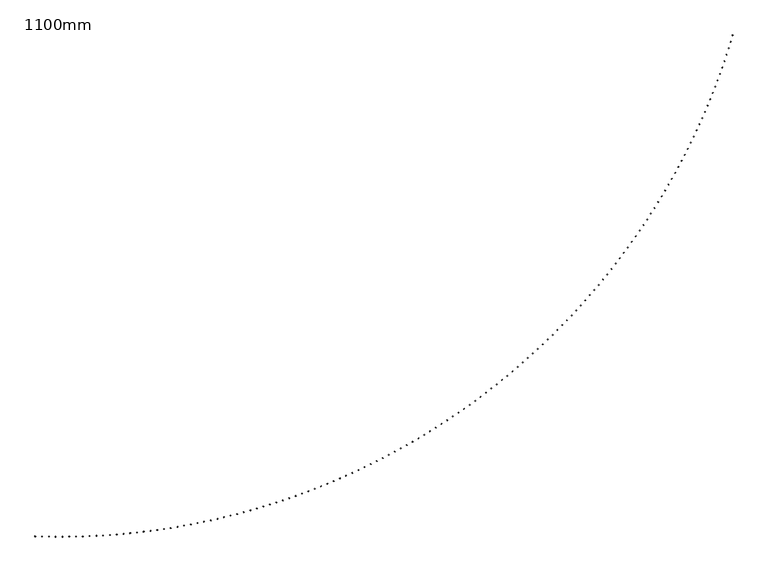
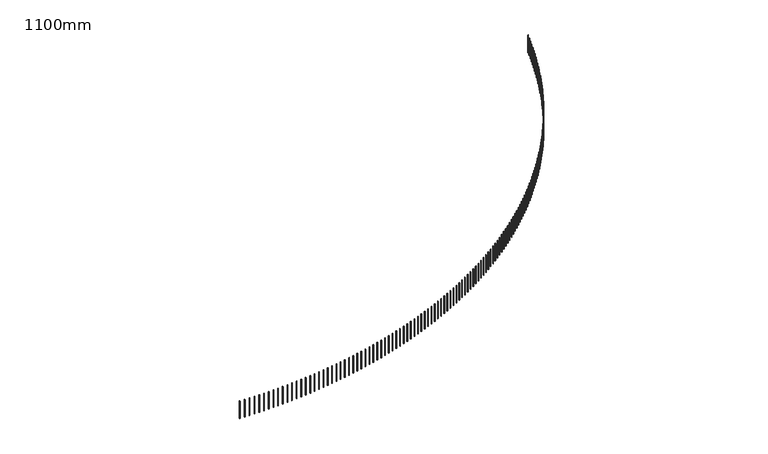
"""IFC4 building model written with IfcOpenShell, lengths in millimetres: railing geometry, 1100mm."""

from ifc_helpers import new_model, si_unit, frame, origin, place, context, project, spatial, polyline, outline, extrude, source, transform, mapped, element, save


def railing_1100mm_c866fdd7(model_context):
    return source(origin(), model_context, "Body", "SweptSolid", [
        extrude(outline(polyline([(-10110.9562878, -82539.3710236), (-10111.8247156, -82564.3559358), (-10136.8096277, -82563.487508), (-10135.9411999, -82538.5025959), (-10110.9562878, -82539.3710236)])), frame((0.0, 0.0, 26600.0), z_axis=(0.0, 0.0, 1.0), x_axis=(1.0, 0.0, 0.0)), (0.0, 0.0, 1.0), 1050.0),
        extrude(outline(polyline([(-9836.1976261, -82547.4690723), (-9836.8242033, -82572.4612191), (-9861.8163501, -82571.8346419), (-9861.1897729, -82546.8424951), (-9836.1976261, -82547.4690723)])), frame((0.0, 0.0, 26600.0), z_axis=(0.0, 0.0, 1.0), x_axis=(1.0, 0.0, 0.0)), (0.0, 0.0, 1.0), 1050.0),
        extrude(outline(polyline([(-9561.373458, -82552.9075616), (-9561.7581259, -82577.9046021), (-9586.7551663, -82577.5199342), (-9586.3704985, -82552.5228938), (-9561.373458, -82552.9075616)])), frame((0.0, 0.0, 26600.0), z_axis=(0.0, 0.0, 1.0), x_axis=(1.0, 0.0, 0.0)), (0.0, 0.0, 1.0), 1050.0),
        extrude(outline(polyline([(-9286.5095264, -82555.6859823), (-9286.6522489, -82580.6855749), (-9311.6518415, -82580.5428524), (-9311.509119, -82555.5432598), (-9286.5095264, -82555.6859823)])), frame((0.0, 0.0, 26600.0), z_axis=(0.0, 0.0, 1.0), x_axis=(1.0, 0.0, 0.0)), (0.0, 0.0, 1.0), 1050.0),
        extrude(outline(polyline([(-9011.6315779, -82555.8040741), (-9011.5323416, -82580.8038771), (-9036.5321447, -82580.9031133), (-9036.6313809, -82555.9033103), (-9011.6315779, -82555.8040741)])), frame((0.0, 0.0, 26600.0), z_axis=(0.0, 0.0, 1.0), x_axis=(1.0, 0.0, 0.0)), (0.0, 0.0, 1.0), 1050.0),
        extrude(outline(polyline([(-8736.7653604, -82553.2618258), (-8736.4241747, -82578.2594975), (-8761.4218465, -82578.6006832), (-8761.7630321, -82553.6030114), (-8736.7653604, -82553.2618258)])), frame((0.0, 0.0, 26600.0), z_axis=(0.0, 0.0, 1.0), x_axis=(1.0, 0.0, 0.0)), (0.0, 0.0, 1.0), 1050.0),
        extrude(outline(polyline([(-8461.9366208, -82548.0594757), (-8461.3535177, -82573.0526745), (-8486.3467166, -82573.6357777), (-8486.9298197, -82548.6425788), (-8461.9366208, -82548.0594757)])), frame((0.0, 0.0, 26600.0), z_axis=(0.0, 0.0, 1.0), x_axis=(1.0, 0.0, 0.0)), (0.0, 0.0, 1.0), 1050.0),
        extrude(outline(polyline([(-8187.1711025, -82540.197511), (-8186.3461366, -82565.1838959), (-8211.3325215, -82566.0088618), (-8212.1574874, -82541.0224769), (-8187.1711025, -82540.197511)])), frame((0.0, 0.0, 26600.0), z_axis=(0.0, 0.0, 1.0), x_axis=(1.0, 0.0, 0.0)), (0.0, 0.0, 1.0), 1050.0),
        extrude(outline(polyline([(-7912.4945429, -82529.6766681), (-7911.4277914, -82554.6538986), (-7936.4050218, -82555.7206501), (-7937.4717734, -82530.7434196), (-7912.4945429, -82529.6766681)])), frame((0.0, 0.0, 26600.0), z_axis=(0.0, 0.0, 1.0), x_axis=(1.0, 0.0, 0.0)), (0.0, 0.0, 1.0), 1050.0),
        extrude(outline(polyline([(-7637.9326711, -82516.4979327), (-7636.6242339, -82541.463669), (-7661.5899703, -82542.7721062), (-7662.8984074, -82517.8063698), (-7637.9326711, -82516.4979327)])), frame((0.0, 0.0, 26600.0), z_axis=(0.0, 0.0, 1.0), x_axis=(1.0, 0.0, 0.0)), (0.0, 0.0, 1.0), 1050.0),
        extrude(outline(polyline([(-7363.5112053, -82500.662539), (-7361.9612051, -82525.6144427), (-7386.9131088, -82527.164443), (-7388.4631091, -82502.2125392), (-7363.5112053, -82500.662539)])), frame((0.0, 0.0, 26600.0), z_axis=(0.0, 0.0, 1.0), x_axis=(1.0, 0.0, 0.0)), (0.0, 0.0, 1.0), 1050.0),
        extrude(outline(polyline([(-7089.255851, -82482.1719705), (-7087.4644328, -82507.1077043), (-7112.4001666, -82508.8991224), (-7114.1915848, -82483.9633886), (-7089.255851, -82482.1719705)])), frame((0.0, 0.0, 26600.0), z_axis=(0.0, 0.0, 1.0), x_axis=(1.0, 0.0, 0.0)), (0.0, 0.0, 1.0), 1050.0),
        extrude(outline(polyline([(-6815.1922975, -82461.0279591), (-6813.1596293, -82485.9451873), (-6838.0768575, -82487.9778555), (-6840.1095257, -82463.0606273), (-6815.1922975, -82461.0279591)])), frame((0.0, 0.0, 26600.0), z_axis=(0.0, 0.0, 1.0), x_axis=(1.0, 0.0, 0.0)), (0.0, 0.0, 1.0), 1050.0),
        extrude(outline(polyline([(-6541.3462167, -82437.2324855), (-6539.0724888, -82462.128874), (-6563.9688773, -82464.4026019), (-6566.2426052, -82439.5062134), (-6541.3462167, -82437.2324855)])), frame((0.0, 0.0, 26600.0), z_axis=(0.0, 0.0, 1.0), x_axis=(1.0, 0.0, 0.0)), (0.0, 0.0, 1.0), 1050.0),
        extrude(outline(polyline([(-6267.7432598, -82410.7877785), (-6265.2286852, -82435.6609953), (-6290.101902, -82438.1755699), (-6292.6164767, -82413.3023531), (-6267.7432598, -82410.7877785)])), frame((0.0, 0.0, 26600.0), z_axis=(0.0, 0.0, 1.0), x_axis=(1.0, 0.0, 0.0)), (0.0, 0.0, 1.0), 1050.0),
        extrude(outline(polyline([(-5994.4090554, -82381.6963152), (-5991.6538696, -82406.5440305), (-6016.5015849, -82409.2992162), (-6019.2567706, -82384.451501), (-5994.4090554, -82381.6963152)])), frame((0.0, 0.0, 26600.0), z_axis=(0.0, 0.0, 1.0), x_axis=(1.0, 0.0, 0.0)), (0.0, 0.0, 1.0), 1050.0),
        extrude(outline(polyline([(-5721.3692068, -82349.9608208), (-5718.3736679, -82374.7807069), (-5743.1935541, -82377.7762457), (-5746.1890929, -82352.9563596), (-5721.3692068, -82349.9608208)])), frame((0.0, 0.0, 26600.0), z_axis=(0.0, 0.0, 1.0), x_axis=(1.0, 0.0, 0.0)), (0.0, 0.0, 1.0), 1050.0),
        extrude(outline(polyline([(-5448.6492898, -82315.5842677), (-5445.4136784, -82340.3739998), (-5470.2034106, -82343.6096112), (-5473.4390219, -82318.8198791), (-5448.6492898, -82315.5842677)])), frame((0.0, 0.0, 26600.0), z_axis=(0.0, 0.0, 1.0), x_axis=(1.0, 0.0, 0.0)), (0.0, 0.0, 1.0), 1050.0),
        extrude(outline(polyline([(-5176.2748502, -82278.5698762), (-5172.7994694, -82303.3271322), (-5197.5567255, -82306.802513), (-5201.0321063, -82282.0452569), (-5176.2748502, -82278.5698762)])), frame((0.0, 0.0, 26600.0), z_axis=(0.0, 0.0, 1.0), x_axis=(1.0, 0.0, 0.0)), (0.0, 0.0, 1.0), 1050.0),
        extrude(outline(polyline([(-4904.2714014, -82238.9211133), (-4900.5565768, -82263.6435743), (-4925.2790378, -82267.3583989), (-4928.9938624, -82242.6359379), (-4904.2714014, -82238.9211133)])), frame((0.0, 0.0, 26600.0), z_axis=(0.0, 0.0, 1.0), x_axis=(1.0, 0.0, 0.0)), (0.0, 0.0, 1.0), 1050.0),
        extrude(outline(polyline([(-4632.6644222, -82196.641693), (-4628.7105017, -82221.3270431), (-4653.3958518, -82225.2809637), (-4657.3497724, -82200.5956135), (-4632.6644222, -82196.641693)])), frame((0.0, 0.0, 26600.0), z_axis=(0.0, 0.0, 1.0), x_axis=(1.0, 0.0, 0.0)), (0.0, 0.0, 1.0), 1050.0),
        extrude(outline(polyline([(-4361.4793541, -82151.7355756), (-4357.286708, -82176.3815026), (-4381.9326351, -82180.5741487), (-4386.1252811, -82155.9282217), (-4361.4793541, -82151.7355756)])), frame((0.0, 0.0, 26600.0), z_axis=(0.0, 0.0, 1.0), x_axis=(1.0, 0.0, 0.0)), (0.0, 0.0, 1.0), 1050.0),
        extrude(outline(polyline([(-4090.7415992, -82104.2069675), (-4086.3106203, -82128.8111628), (-4110.9148156, -82133.2421417), (-4115.3457945, -82108.6379464), (-4090.7415992, -82104.2069675)])), frame((0.0, 0.0, 26600.0), z_axis=(0.0, 0.0, 1.0), x_axis=(1.0, 0.0, 0.0)), (0.0, 0.0, 1.0), 1050.0),
        extrude(outline(polyline([(-3820.4765175, -82054.0603207), (-3815.8076209, -82078.6204796), (-3840.3677798, -82083.2893763), (-3845.0366764, -82058.7292174), (-3820.4765175, -82054.0603207)])), frame((0.0, 0.0, 26600.0), z_axis=(0.0, 0.0, 1.0), x_axis=(1.0, 0.0, 0.0)), (0.0, 0.0, 1.0), 1050.0),
        extrude(outline(polyline([(-3550.709425, -82001.3003326), (-3545.803048, -82025.8141545), (-3570.3168699, -82030.7205315), (-3575.2232469, -82006.2067096), (-3550.709425, -82001.3003326)])), frame((0.0, 0.0, 26600.0), z_axis=(0.0, 0.0, 1.0), x_axis=(1.0, 0.0, 0.0)), (0.0, 0.0, 1.0), 1050.0),
        extrude(outline(polyline([(-3281.465591, -81945.931945), (-3276.3221931, -81970.3971337), (-3300.7873818, -81975.5405316), (-3305.9307796, -81951.0753429), (-3281.465591, -81945.931945)])), frame((0.0, 0.0, 26600.0), z_axis=(0.0, 0.0, 1.0), x_axis=(1.0, 0.0, 0.0)), (0.0, 0.0, 1.0), 1050.0),
        extrude(outline(polyline([(-3012.7702354, -81887.9603445), (-3007.3902985, -81912.3746083), (-3031.8045623, -81917.7545453), (-3037.1844993, -81893.3402814), (-3012.7702354, -81887.9603445)])), frame((0.0, 0.0, 26600.0), z_axis=(0.0, 0.0, 1.0), x_axis=(1.0, 0.0, 0.0)), (0.0, 0.0, 1.0), 1050.0),
        extrude(outline(polyline([(-2744.6485274, -81827.3909612), (-2739.0325553, -81851.7520133), (-2763.3936074, -81857.3679854), (-2769.0095794, -81833.0069333), (-2744.6485274, -81827.3909612)])), frame((0.0, 0.0, 26600.0), z_axis=(0.0, 0.0, 1.0), x_axis=(1.0, 0.0, 0.0)), (0.0, 0.0, 1.0), 1050.0),
        extrude(outline(polyline([(-2477.1255818, -81764.2294688), (-2471.2741007, -81788.5350272), (-2495.5796591, -81794.3865083), (-2501.4311402, -81770.0809499), (-2477.1255818, -81764.2294688)])), frame((0.0, 0.0, 26600.0), z_axis=(0.0, 0.0, 1.0), x_axis=(1.0, 0.0, 0.0)), (0.0, 0.0, 1.0), 1050.0),
        extrude(outline(polyline([(-2210.2264577, -81698.4817835), (-2204.1400157, -81722.7295715), (-2228.3878037, -81728.8160136), (-2234.4742457, -81704.5682256), (-2210.2264577, -81698.4817835)])), frame((0.0, 0.0, 26600.0), z_axis=(0.0, 0.0, 1.0), x_axis=(1.0, 0.0, 0.0)), (0.0, 0.0, 1.0), 1050.0),
        extrude(outline(polyline([(-1943.9761558, -81630.1540641), (-1937.6553229, -81654.3418104), (-1961.8430692, -81660.6626433), (-1968.1639021, -81636.474897), (-1943.9761558, -81630.1540641)])), frame((0.0, 0.0, 26600.0), z_axis=(0.0, 0.0, 1.0), x_axis=(1.0, 0.0, 0.0)), (0.0, 0.0, 1.0), 1050.0),
        extrude(outline(polyline([(-1678.3996157, -81559.2527107), (-1671.8449841, -81583.3781497), (-1695.970423, -81589.9327813), (-1702.5250546, -81565.8073424), (-1678.3996157, -81559.2527107)])), frame((0.0, 0.0, 26600.0), z_axis=(0.0, 0.0, 1.0), x_axis=(1.0, 0.0, 0.0)), (0.0, 0.0, 1.0), 1050.0),
        extrude(outline(polyline([(-1413.5217142, -81485.7843648), (-1406.7338978, -81509.8452366), (-1430.7947695, -81516.633053), (-1437.582586, -81492.5721812), (-1413.5217142, -81485.7843648)])), frame((0.0, 0.0, 26600.0), z_axis=(0.0, 0.0, 1.0), x_axis=(1.0, 0.0, 0.0)), (0.0, 0.0, 1.0), 1050.0),
        extrude(outline(polyline([(-1149.3672626, -81409.7559082), (-1142.3468972, -81433.7499589), (-1166.3409479, -81440.7703243), (-1173.3613133, -81416.7762736), (-1149.3672626, -81409.7559082)])), frame((0.0, 0.0, 26600.0), z_axis=(0.0, 0.0, 1.0), x_axis=(1.0, 0.0, 0.0)), (0.0, 0.0, 1.0), 1050.0),
        extrude(outline(polyline([(-885.9610043, -81331.1744625), (-878.7087475, -81355.0994447), (-902.6337297, -81362.3517014), (-909.8859864, -81338.4267192), (-885.9610043, -81331.1744625)])), frame((0.0, 0.0, 26600.0), z_axis=(0.0, 0.0, 1.0), x_axis=(1.0, 0.0, 0.0)), (0.0, 0.0, 1.0), 1050.0),
        extrude(outline(polyline([(-623.3276126, -81250.0473885), (-615.8441439, -81273.901061), (-639.6978165, -81281.3845298), (-647.1812852, -81257.5308572), (-623.3276126, -81250.0473885)])), frame((0.0, 0.0, 26600.0), z_axis=(0.0, 0.0, 1.0), x_axis=(1.0, 0.0, 0.0)), (0.0, 0.0, 1.0), 1050.0),
        extrude(outline(polyline([(-361.4916887, -81166.3822853), (-353.7777089, -81190.1624139), (-377.5578375, -81197.8763937), (-385.2718173, -81174.0962651), (-361.4916887, -81166.3822853)])), frame((0.0, 0.0, 26600.0), z_axis=(0.0, 0.0, 1.0), x_axis=(1.0, 0.0, 0.0)), (0.0, 0.0, 1.0), 1050.0),
        extrude(outline(polyline([(-100.4777588, -81080.18699), (-92.5339905, -81103.8913471), (-116.2383476, -81111.8351154), (-124.1821159, -81088.1307583), (-100.4777588, -81080.18699)])), frame((0.0, 0.0, 26600.0), z_axis=(0.0, 0.0, 1.0), x_axis=(1.0, 0.0, 0.0)), (0.0, 0.0, 1.0), 1050.0),
        extrude(outline(polyline([(159.6897277, -80991.4695764), (167.8625404, -81015.0959416), (144.2361752, -81023.2687543), (136.0633625, -80999.6423891), (159.6897277, -80991.4695764)])), frame((0.0, 0.0, 26600.0), z_axis=(0.0, 0.0, 1.0), x_axis=(1.0, 0.0, 0.0)), (0.0, 0.0, 1.0), 1050.0),
        extrude(outline(polyline([(418.986401, -80900.2383549), (427.3874925, -80923.7845151), (403.8413323, -80932.1856066), (395.4402408, -80908.6394464), (418.986401, -80900.2383549)])), frame((0.0, 0.0, 26600.0), z_axis=(0.0, 0.0, 1.0), x_axis=(1.0, 0.0, 0.0)), (0.0, 0.0, 1.0), 1050.0),
        extrude(outline(polyline([(677.3879724, -80806.501871), (686.0165559, -80829.9656207), (662.5528062, -80838.5942041), (653.9242228, -80815.1304544), (677.3879724, -80806.501871)])), frame((0.0, 0.0, 26600.0), z_axis=(0.0, 0.0, 1.0), x_axis=(1.0, 0.0, 0.0)), (0.0, 0.0, 1.0), 1050.0),
        extrude(outline(polyline([(934.8702375, -80710.2689051), (943.7255046, -80733.6480464), (920.3463633, -80742.5033135), (911.4910963, -80719.1241722), (934.8702375, -80710.2689051)])), frame((0.0, 0.0, 26600.0), z_axis=(0.0, 0.0, 1.0), x_axis=(1.0, 0.0, 0.0)), (0.0, 0.0, 1.0), 1050.0),
        extrude(outline(polyline([(1191.4090777, -80611.5484715), (1200.4901989, -80634.8408144), (1177.197856, -80643.9219356), (1168.1167348, -80620.6295927), (1191.4090777, -80611.5484715)])), frame((0.0, 0.0, 26600.0), z_axis=(0.0, 0.0, 1.0), x_axis=(1.0, 0.0, 0.0)), (0.0, 0.0, 1.0), 1050.0),
        extrude(outline(polyline([(1446.9804628, -80510.3498172), (1456.2865876, -80533.5531799), (1433.0832249, -80542.8593047), (1423.7771001, -80519.655942), (1446.9804628, -80510.3498172)])), frame((0.0, 0.0, 26600.0), z_axis=(0.0, 0.0, 1.0), x_axis=(1.0, 0.0, 0.0)), (0.0, 0.0, 1.0), 1050.0),
        extrude(outline(polyline([(1701.5604535, -80406.6824217), (1711.0907101, -80429.7946308), (1687.978501, -80439.3248874), (1678.4482444, -80416.2126783), (1701.5604535, -80406.6824217)])), frame((0.0, 0.0, 26600.0), z_axis=(0.0, 0.0, 1.0), x_axis=(1.0, 0.0, 0.0)), (0.0, 0.0, 1.0), 1050.0),
        extrude(outline(polyline([(1955.125203, -80300.5559955), (1964.8786987, -80323.574886), (1941.8598082, -80333.3283817), (1932.1063125, -80310.3094912), (1955.125203, -80300.5559955)])), frame((0.0, 0.0, 26600.0), z_axis=(0.0, 0.0, 1.0), x_axis=(1.0, 0.0, 0.0)), (0.0, 0.0, 1.0), 1050.0),
        extrude(outline(polyline([(2207.6509598, -80191.9804794), (2217.6267811, -80214.9038952), (2194.7033653, -80224.8797165), (2184.7275441, -80201.9563007), (2207.6509598, -80191.9804794)])), frame((0.0, 0.0, 26600.0), z_axis=(0.0, 0.0, 1.0), x_axis=(1.0, 0.0, 0.0)), (0.0, 0.0, 1.0), 1050.0),
        extrude(outline(polyline([(2459.1140697, -80080.966044), (2469.3112821, -80103.7918377), (2446.4854883, -80113.9890501), (2436.288276, -80091.1632563), (2459.1140697, -80080.966044)])), frame((0.0, 0.0, 26600.0), z_axis=(0.0, 0.0, 1.0), x_axis=(1.0, 0.0, 0.0)), (0.0, 0.0, 1.0), 1050.0),
        extrude(outline(polyline([(2709.4909781, -79967.5230878), (2719.9086263, -79990.2491214), (2697.1825927, -80000.6667697), (2686.7649444, -79977.940736), (2709.4909781, -79967.5230878)])), frame((0.0, 0.0, 26600.0), z_axis=(0.0, 0.0, 1.0), x_axis=(1.0, 0.0, 0.0)), (0.0, 0.0, 1.0), 1050.0),
        extrude(outline(polyline([(2958.7582319, -79851.6622372), (2969.3953402, -79874.286382), (2946.7711955, -79884.9234903), (2936.1340872, -79862.2993455), (2958.7582319, -79851.6622372)])), frame((0.0, 0.0, 26600.0), z_axis=(0.0, 0.0, 1.0), x_axis=(1.0, 0.0, 0.0)), (0.0, 0.0, 1.0), 1050.0),
        extrude(outline(polyline([(3206.8924823, -79733.394345), (3217.7480543, -79755.9144816), (3195.2279176, -79766.7700536), (3184.3723456, -79744.249917), (3206.8924823, -79733.394345)])), frame((0.0, 0.0, 26600.0), z_axis=(0.0, 0.0, 1.0), x_axis=(1.0, 0.0, 0.0)), (0.0, 0.0, 1.0), 1050.0),
        extrude(outline(polyline([(3453.8704863, -79612.7304892), (3464.9435051, -79635.1445084), (3442.529486, -79646.2175272), (3431.4564671, -79623.8035081), (3453.8704863, -79612.7304892)])), frame((0.0, 0.0, 26600.0), z_axis=(0.0, 0.0, 1.0), x_axis=(1.0, 0.0, 0.0)), (0.0, 0.0, 1.0), 1050.0),
        extrude(outline(polyline([(3699.6691094, -79489.6819727), (3710.9585378, -79511.9877747), (3688.6527358, -79523.2772032), (3677.3633073, -79500.9714011), (3699.6691094, -79489.6819727)])), frame((0.0, 0.0, 26600.0), z_axis=(0.0, 0.0, 1.0), x_axis=(1.0, 0.0, 0.0)), (0.0, 0.0, 1.0), 1050.0),
        extrude(outline(polyline([(3944.2653275, -79364.2603213), (3955.7701081, -79386.4558169), (3933.5746125, -79397.9605975), (3922.0698319, -79375.7651019), (3944.2653275, -79364.2603213)])), frame((0.0, 0.0, 26600.0), z_axis=(0.0, 0.0, 1.0), x_axis=(1.0, 0.0, 0.0)), (0.0, 0.0, 1.0), 1050.0),
        extrude(outline(polyline([(4187.6362291, -79236.4772835), (4199.3552842, -79258.5603935), (4177.2721742, -79270.2794486), (4165.5531191, -79248.1963386), (4187.6362291, -79236.4772835)])), frame((0.0, 0.0, 26600.0), z_axis=(0.0, 0.0, 1.0), x_axis=(1.0, 0.0, 0.0)), (0.0, 0.0, 1.0), 1050.0),
        extrude(outline(polyline([(4429.7590177, -79106.3448286), (4441.6912495, -79128.3134846), (4419.7225936, -79140.2457164), (4407.7903618, -79118.2770605), (4429.7590177, -79106.3448286)])), frame((0.0, 0.0, 26600.0), z_axis=(0.0, 0.0, 1.0), x_axis=(1.0, 0.0, 0.0)), (0.0, 0.0, 1.0), 1050.0),
        extrude(outline(polyline([(4670.6110134, -78973.8751464), (4682.7553042, -78995.7272904), (4660.9031602, -79007.8715813), (4648.7588693, -78986.0194373), (4670.6110134, -78973.8751464)])), frame((0.0, 0.0, 26600.0), z_axis=(0.0, 0.0, 1.0), x_axis=(1.0, 0.0, 0.0)), (0.0, 0.0, 1.0), 1050.0),
        extrude(outline(polyline([(4910.1696554, -78839.0806452), (4922.5248678, -78860.8142304), (4900.7912826, -78873.1694428), (4888.4360702, -78851.4358576), (4910.1696554, -78839.0806452)])), frame((0.0, 0.0, 26600.0), z_axis=(0.0, 0.0, 1.0), x_axis=(1.0, 0.0, 0.0)), (0.0, 0.0, 1.0), 1050.0),
        extrude(outline(polyline([(5148.4125043, -78701.9739514), (5160.9774809, -78723.586942), (5139.3644902, -78736.1519186), (5126.7995137, -78714.5389279), (5148.4125043, -78701.9739514)])), frame((0.0, 0.0, 26600.0), z_axis=(0.0, 0.0, 1.0), x_axis=(1.0, 0.0, 0.0)), (0.0, 0.0, 1.0), 1050.0),
        extrude(outline(polyline([(5385.3172437, -78562.5679077), (5398.0908074, -78584.0582793), (5376.6004359, -78596.831843), (5363.8268721, -78575.3414715), (5385.3172437, -78562.5679077)])), frame((0.0, 0.0, 26600.0), z_axis=(0.0, 0.0, 1.0), x_axis=(1.0, 0.0, 0.0)), (0.0, 0.0, 1.0), 1050.0),
        extrude(outline(polyline([(5620.8616826, -78420.8755725), (5633.842637, -78442.241312), (5612.4768976, -78455.2222664), (5599.4959431, -78433.856527), (5620.8616826, -78420.8755725)])), frame((0.0, 0.0, 26600.0), z_axis=(0.0, 0.0, 1.0), x_axis=(1.0, 0.0, 0.0)), (0.0, 0.0, 1.0), 1050.0),
        extrude(outline(polyline([(5855.0237574, -78276.9102182), (5868.2108866, -78298.1493241), (5846.9717806, -78311.3364534), (5833.7846514, -78290.0973474), (5855.0237574, -78276.9102182)])), frame((0.0, 0.0, 26600.0), z_axis=(0.0, 0.0, 1.0), x_axis=(1.0, 0.0, 0.0)), (0.0, 0.0, 1.0), 1050.0),
        extrude(outline(polyline([(6087.781534, -78130.6853299), (6101.1736028, -78151.795813), (6080.0631197, -78165.1878817), (6066.671051, -78144.0773987), (6087.781534, -78130.6853299)])), frame((0.0, 0.0, 26600.0), z_axis=(0.0, 0.0, 1.0), x_axis=(1.0, 0.0, 0.0)), (0.0, 0.0, 1.0), 1050.0),
        extrude(outline(polyline([(6319.11321, -77982.2146048), (6332.7089638, -78003.1944875), (6311.7290811, -78016.7902413), (6298.1333273, -77995.8103586), (6319.11321, -77982.2146048)])), frame((0.0, 0.0, 26600.0), z_axis=(0.0, 0.0, 1.0), x_axis=(1.0, 0.0, 0.0)), (0.0, 0.0, 1.0), 1050.0),
        extrude(outline(polyline([(6548.9971164, -77831.5119501), (6562.7952817, -77852.3592672), (6541.9479646, -77866.1574326), (6528.1497992, -77845.3101155), (6548.9971164, -77831.5119501)])), frame((0.0, 0.0, 26600.0), z_axis=(0.0, 0.0, 1.0), x_axis=(1.0, 0.0, 0.0)), (0.0, 0.0, 1.0), 1050.0),
        extrude(outline(polyline([(6777.4117197, -77678.5914822), (6791.4110042, -77699.304281), (6770.6982054, -77713.3035655), (6756.6989209, -77692.5907666), (6777.4117197, -77678.5914822)])), frame((0.0, 0.0, 26600.0), z_axis=(0.0, 0.0, 1.0), x_axis=(1.0, 0.0, 0.0)), (0.0, 0.0, 1.0), 1050.0),
        extrude(outline(polyline([(7004.3356244, -77523.4675252), (7018.5347166, -77544.0438655), (6997.9583763, -77558.2429578), (6983.7592841, -77537.6666174), (7004.3356244, -77523.4675252)])), frame((0.0, 0.0, 26600.0), z_axis=(0.0, 0.0, 1.0), x_axis=(1.0, 0.0, 0.0)), (0.0, 0.0, 1.0), 1050.0),
        extrude(outline(polyline([(7229.7475744, -77366.1546098), (7244.1451443, -77386.5925642), (7223.7071899, -77400.9901341), (7209.30962, -77380.5521797), (7229.7475744, -77366.1546098)])), frame((0.0, 0.0, 26600.0), z_axis=(0.0, 0.0, 1.0), x_axis=(1.0, 0.0, 0.0)), (0.0, 0.0, 1.0), 1050.0),
        extrude(outline(polyline([(7453.6264551, -77206.6674714), (7468.2211541, -77226.9651255), (7447.9235, -77241.5598245), (7433.328801, -77221.2621704), (7453.6264551, -77206.6674714)])), frame((0.0, 0.0, 26600.0), z_axis=(0.0, 0.0, 1.0), x_axis=(1.0, 0.0, 0.0)), (0.0, 0.0, 1.0), 1050.0),
        extrude(outline(polyline([(7675.9512957, -77045.0210493), (7690.7417567, -77065.1765018), (7670.5863043, -77079.9669628), (7655.7958433, -77059.8115103), (7675.9512957, -77045.0210493)])), frame((0.0, 0.0, 26600.0), z_axis=(0.0, 0.0, 1.0), x_axis=(1.0, 0.0, 0.0)), (0.0, 0.0, 1.0), 1050.0),
        extrude(outline(polyline([(7896.701271, -76881.2304851), (7911.6861086, -76901.2418479), (7891.6747458, -76916.2266855), (7876.6899082, -76896.2153227), (7896.701271, -76881.2304851)])), frame((0.0, 0.0, 26600.0), z_axis=(0.0, 0.0, 1.0), x_axis=(1.0, 0.0, 0.0)), (0.0, 0.0, 1.0), 1050.0),
        extrude(outline(polyline([(8115.8557032, -76715.311121), (8131.0335137, -76735.1765197), (8111.168115, -76750.3543302), (8095.9903045, -76730.4889315), (8115.8557032, -76715.311121)])), frame((0.0, 0.0, 26600.0), z_axis=(0.0, 0.0, 1.0), x_axis=(1.0, 0.0, 0.0)), (0.0, 0.0, 1.0), 1050.0),
        extrude(outline(polyline([(8333.394064, -76547.2784988), (8348.7634258, -76566.9960726), (8329.0458519, -76582.3654344), (8313.6764901, -76562.6478605), (8333.394064, -76547.2784988)])), frame((0.0, 0.0, 26600.0), z_axis=(0.0, 0.0, 1.0), x_axis=(1.0, 0.0, 0.0)), (0.0, 0.0, 1.0), 1050.0),
        extrude(outline(polyline([(8549.2959765, -76377.1483582), (8564.8554498, -76396.7162602), (8545.2875477, -76412.2757335), (8529.7280744, -76392.7078315), (8549.2959765, -76377.1483582)])), frame((0.0, 0.0, 26600.0), z_axis=(0.0, 0.0, 1.0), x_axis=(1.0, 0.0, 0.0)), (0.0, 0.0, 1.0), 1050.0),
        extrude(outline(polyline([(8763.541217, -76204.9366354), (8779.2893444, -76224.3530327), (8759.8729471, -76240.1011601), (8744.1248197, -76220.6847628), (8763.541217, -76204.9366354)])), frame((0.0, 0.0, 26600.0), z_axis=(0.0, 0.0, 1.0), x_axis=(1.0, 0.0, 0.0)), (0.0, 0.0, 1.0), 1050.0),
        extrude(outline(polyline([(8976.109717, -76030.6594615), (8992.0450234, -76049.9225353), (8972.7819496, -76065.8578417), (8956.8466432, -76046.5947679), (8976.109717, -76030.6594615)])), frame((0.0, 0.0, 26600.0), z_axis=(0.0, 0.0, 1.0), x_axis=(1.0, 0.0, 0.0)), (0.0, 0.0, 1.0), 1050.0),
        extrude(outline(polyline([(9186.9815652, -75854.3331613), (9203.1025579, -75873.4411071), (9183.994612, -75889.5620998), (9167.8736193, -75870.4541539), (9186.9815652, -75854.3331613)])), frame((0.0, 0.0, 26600.0), z_axis=(0.0, 0.0, 1.0), x_axis=(1.0, 0.0, 0.0)), (0.0, 0.0, 1.0), 1050.0),
        extrude(outline(polyline([(9396.1370091, -75675.9742511), (9412.442178, -75694.9252792), (9393.4911499, -75711.2304482), (9377.185981, -75692.27942), (9396.1370091, -75675.9742511)])), frame((0.0, 0.0, 26600.0), z_axis=(0.0, 0.0, 1.0), x_axis=(1.0, 0.0, 0.0)), (0.0, 0.0, 1.0), 1050.0),
        extrude(outline(polyline([(9603.556457, -75495.5994381), (9620.0442748, -75514.3917733), (9601.2519396, -75530.8795912), (9584.7641218, -75512.0872559), (9603.556457, -75495.5994381)])), frame((0.0, 0.0, 26600.0), z_axis=(0.0, 0.0, 1.0), x_axis=(1.0, 0.0, 0.0)), (0.0, 0.0, 1.0), 1050.0),
        extrude(outline(polyline([(9809.2204798, -75313.225618), (9825.8894022, -75331.8575), (9807.2575201, -75348.5264224), (9790.5885978, -75329.8945403), (9809.2204798, -75313.225618)])), frame((0.0, 0.0, 26600.0), z_axis=(0.0, 0.0, 1.0), x_axis=(1.0, 0.0, 0.0)), (0.0, 0.0, 1.0), 1050.0),
        extrude(outline(polyline([(10013.1098129, -75128.8698739), (10029.9582783, -75147.3395575), (10011.4885947, -75164.1880229), (9994.6401293, -75145.7183393), (10013.1098129, -75128.8698739)])), frame((0.0, 0.0, 26600.0), z_axis=(0.0, 0.0, 1.0), x_axis=(1.0, 0.0, 0.0)), (0.0, 0.0, 1.0), 1050.0),
        extrude(outline(polyline([(10215.2053578, -74942.5494744), (10232.2317882, -74960.8552295), (10213.9260331, -74977.8816598), (10196.8996027, -74959.5759048), (10215.2053578, -74942.5494744)])), frame((0.0, 0.0, 26600.0), z_axis=(0.0, 0.0, 1.0), x_axis=(1.0, 0.0, 0.0)), (0.0, 0.0, 1.0), 1050.0),
        extrude(outline(polyline([(10415.4881842, -74754.2818723), (10432.6909846, -74772.4219842), (10414.5508727, -74789.6247846), (10397.3480723, -74771.4846727), (10415.4881842, -74754.2818723)])), frame((0.0, 0.0, 26600.0), z_axis=(0.0, 0.0, 1.0), x_axis=(1.0, 0.0, 0.0)), (0.0, 0.0, 1.0), 1050.0),
        extrude(outline(polyline([(10613.9395314, -74564.0847027), (10631.3170904, -74582.0574722), (10613.344321, -74599.4350312), (10595.966762, -74581.4622617), (10613.9395314, -74564.0847027)])), frame((0.0, 0.0, 26600.0), z_axis=(0.0, 0.0, 1.0), x_axis=(1.0, 0.0, 0.0)), (0.0, 0.0, 1.0), 1050.0),
        extrude(outline(polyline([(10810.5408105, -74371.9757815), (10828.0915004, -74389.779525), (10810.2877568, -74407.3302149), (10792.7370669, -74389.5264714), (10810.5408105, -74371.9757815)])), frame((0.0, 0.0, 26600.0), z_axis=(0.0, 0.0, 1.0), x_axis=(1.0, 0.0, 0.0)), (0.0, 0.0, 1.0), 1050.0),
        extrude(outline(polyline([(11005.2736056, -74177.9731036), (11022.9957824, -74195.6061535), (11005.3627325, -74213.3283303), (10987.6405557, -74195.6952804), (11005.2736056, -74177.9731036)])), frame((0.0, 0.0, 26600.0), z_axis=(0.0, 0.0, 1.0), x_axis=(1.0, 0.0, 0.0)), (0.0, 0.0, 1.0), 1050.0),
        extrude(outline(polyline([(11198.1196761, -73982.0948413), (11216.0116798, -73999.5555459), (11198.5509751, -74017.4475496), (11180.6589715, -73999.986845), (11198.1196761, -73982.0948413)])), frame((0.0, 0.0, 26600.0), z_axis=(0.0, 0.0, 1.0), x_axis=(1.0, 0.0, 0.0)), (0.0, 0.0, 1.0), 1050.0),
        extrude(outline(polyline([(11389.060958, -73784.3593427), (11407.1211125, -73801.6460664), (11389.8343888, -73819.706221), (11371.7742342, -73802.4194972), (11389.060958, -73784.3593427)])), frame((0.0, 0.0, 26600.0), z_axis=(0.0, 0.0, 1.0), x_axis=(1.0, 0.0, 0.0)), (0.0, 0.0, 1.0), 1050.0),
        extrude(outline(polyline([(11578.0795657, -73584.7851297), (11596.3061794, -73601.8962533), (11579.1950558, -73620.1228671), (11560.968442, -73603.0117434), (11578.0795657, -73584.7851297)])), frame((0.0, 0.0, 26600.0), z_axis=(0.0, 0.0, 1.0), x_axis=(1.0, 0.0, 0.0)), (0.0, 0.0, 1.0), 1050.0),
        extrude(outline(polyline([(11765.1577937, -73383.3908966), (11783.5491593, -73400.3248173), (11766.6152386, -73418.7161829), (11748.223873, -73401.7822622), (11765.1577937, -73383.3908966)])), frame((0.0, 0.0, 26600.0), z_axis=(0.0, 0.0, 1.0), x_axis=(1.0, 0.0, 0.0)), (0.0, 0.0, 1.0), 1050.0),
        extrude(outline(polyline([(11950.2781183, -73180.195508), (11968.8325131, -73196.9506396), (11952.0773816, -73215.5050344), (11933.5229868, -73198.7499028), (11950.2781183, -73180.195508)])), frame((0.0, 0.0, 26600.0), z_axis=(0.0, 0.0, 1.0), x_axis=(1.0, 0.0, 0.0)), (0.0, 0.0, 1.0), 1050.0),
        extrude(outline(polyline([(12133.4231993, -72975.2179974), (12152.1388853, -72991.7927703), (12135.5641123, -73010.5084563), (12116.8484263, -72993.9336833), (12133.4231993, -72975.2179974)])), frame((0.0, 0.0, 26600.0), z_axis=(0.0, 0.0, 1.0), x_axis=(1.0, 0.0, 0.0)), (0.0, 0.0, 1.0), 1050.0),
        extrude(outline(polyline([(12314.5758813, -72768.4775651), (12333.4511053, -72784.8704269), (12317.0582435, -72803.7456509), (12298.1830195, -72787.3527891), (12314.5758813, -72768.4775651)])), frame((0.0, 0.0, 26600.0), z_axis=(0.0, 0.0, 1.0), x_axis=(1.0, 0.0, 0.0)), (0.0, 0.0, 1.0), 1050.0),
        extrude(outline(polyline([(12493.7191956, -72559.9935766), (12512.7521897, -72576.2029917), (12496.5427745, -72595.2359857), (12477.5097805, -72579.0265706), (12493.7191956, -72559.9935766)])), frame((0.0, 0.0, 26600.0), z_axis=(0.0, 0.0, 1.0), x_axis=(1.0, 0.0, 0.0)), (0.0, 0.0, 1.0), 1050.0),
        extrude(outline(polyline([(12670.8363619, -72349.7855607), (12690.0253431, -72365.8100107), (12674.000893, -72384.9989919), (12654.8119118, -72368.9745419), (12670.8363619, -72349.7855607)])), frame((0.0, 0.0, 26600.0), z_axis=(0.0, 0.0, 1.0), x_axis=(1.0, 0.0, 0.0)), (0.0, 0.0, 1.0), 1050.0),
        extrude(outline(polyline([(12845.9107894, -72137.8732076), (12865.2539604, -72153.7111917), (12849.4159763, -72173.0543626), (12830.0728054, -72157.2163786), (12845.9107894, -72137.8732076)])), frame((0.0, 0.0, 26600.0), z_axis=(0.0, 0.0, 1.0), x_axis=(1.0, 0.0, 0.0)), (0.0, 0.0, 1.0), 1050.0),
        extrude(outline(polyline([(13018.9260789, -71924.2763674), (13038.4216277, -71939.9264018), (13022.7715933, -71959.4219506), (13003.2760445, -71943.7719162), (13018.9260789, -71924.2763674)])), frame((0.0, 0.0, 26600.0), z_axis=(0.0, 0.0, 1.0), x_axis=(1.0, 0.0, 0.0)), (0.0, 0.0, 1.0), 1050.0),
        extrude(outline(polyline([(13189.8660239, -71709.0150478), (13209.5121244, -71724.4756666), (13194.0515055, -71744.1217671), (13174.405405, -71728.6611483), (13189.8660239, -71709.0150478)])), frame((0.0, 0.0, 26600.0), z_axis=(0.0, 0.0, 1.0), x_axis=(1.0, 0.0, 0.0)), (0.0, 0.0, 1.0), 1050.0),
        extrude(outline(polyline([(13358.7146124, -71492.1094123), (13378.5094243, -71507.3791674), (13363.2396692, -71527.1739793), (13343.4448573, -71511.9042242), (13358.7146124, -71492.1094123)])), frame((0.0, 0.0, 26600.0), z_axis=(0.0, 0.0, 1.0), x_axis=(1.0, 0.0, 0.0)), (0.0, 0.0, 1.0), 1050.0),
        extrude(outline(polyline([(13525.4560282, -71273.5797787), (13545.3976974, -71288.6572397), (13530.3202364, -71308.5989088), (13510.3785672, -71293.5214478), (13525.4560282, -71273.5797787)])), frame((0.0, 0.0, 26600.0), z_axis=(0.0, 0.0, 1.0), x_axis=(1.0, 0.0, 0.0)), (0.0, 0.0, 1.0), 1050.0),
        extrude(outline(polyline([(13690.0746527, -71053.4466166), (13710.1613111, -71068.3303713), (13695.2775565, -71088.4170297), (13675.190898, -71073.5332751), (13690.0746527, -71053.4466166)])), frame((0.0, 0.0, 26600.0), z_axis=(0.0, 0.0, 1.0), x_axis=(1.0, 0.0, 0.0)), (0.0, 0.0, 1.0), 1050.0),
        extrude(outline(polyline([(13852.5550658, -70831.7305462), (13872.7848321, -70846.4192003), (13858.096178, -70866.6489665), (13837.8664118, -70851.9603125), (13852.5550658, -70831.7305462)])), frame((0.0, 0.0, 26600.0), z_axis=(0.0, 0.0, 1.0), x_axis=(1.0, 0.0, 0.0)), (0.0, 0.0, 1.0), 1050.0),
        extrude(outline(polyline([(14012.882048, -70608.4523357), (14033.2530271, -70622.9445133), (14018.7608495, -70643.3154923), (13998.3898705, -70628.8233148), (14012.882048, -70608.4523357)])), frame((0.0, 0.0, 26600.0), z_axis=(0.0, 0.0, 1.0), x_axis=(1.0, 0.0, 0.0)), (0.0, 0.0, 1.0), 1050.0),
        extrude(outline(polyline([(14171.0405814, -70383.6328996), (14191.5508652, -70397.9272432), (14177.2565216, -70418.437527), (14156.7462378, -70404.1431833), (14171.0405814, -70383.6328996)])), frame((0.0, 0.0, 26600.0), z_axis=(0.0, 0.0, 1.0), x_axis=(1.0, 0.0, 0.0)), (0.0, 0.0, 1.0), 1050.0),
        extrude(outline(polyline([(14327.0158512, -70157.2932968), (14347.6635184, -70171.3884676), (14333.5683477, -70192.0361348), (14312.9206805, -70177.9409641), (14327.0158512, -70157.2932968)])), frame((0.0, 0.0, 26600.0), z_axis=(0.0, 0.0, 1.0), x_axis=(1.0, 0.0, 0.0)), (0.0, 0.0, 1.0), 1050.0),
        extrude(outline(polyline([(14480.7932471, -69929.4547289), (14501.5763637, -69943.3494064), (14487.6816862, -69964.132523), (14466.8985696, -69950.2378455), (14480.7932471, -69929.4547289)])), frame((0.0, 0.0, 26600.0), z_axis=(0.0, 0.0, 1.0), x_axis=(1.0, 0.0, 0.0)), (0.0, 0.0, 1.0), 1050.0),
        extrude(outline(polyline([(14632.3583646, -69700.1385374), (14653.2749839, -69713.8314202), (14639.5821011, -69734.7480394), (14618.6654818, -69721.0551566), (14632.3583646, -69700.1385374)])), frame((0.0, 0.0, 26600.0), z_axis=(0.0, 0.0, 1.0), x_axis=(1.0, 0.0, 0.0)), (0.0, 0.0, 1.0), 1050.0),
        extrude(outline(polyline([(14781.6970067, -69469.3662026), (14802.7451693, -69482.856008), (14789.2553639, -69503.9041706), (14768.2072013, -69490.4143652), (14781.6970067, -69469.3662026)])), frame((0.0, 0.0, 26600.0), z_axis=(0.0, 0.0, 1.0), x_axis=(1.0, 0.0, 0.0)), (0.0, 0.0, 1.0), 1050.0),
        extrude(outline(polyline([(14928.7951847, -69237.1593409), (14949.972919, -69250.4448054), (14936.6874545, -69271.6225398), (14915.5097201, -69258.3370753), (14928.7951847, -69237.1593409)])), frame((0.0, 0.0, 26600.0), z_axis=(0.0, 0.0, 1.0), x_axis=(1.0, 0.0, 0.0)), (0.0, 0.0, 1.0), 1050.0),
        extrude(outline(polyline([(15073.6391197, -69003.5397035), (15094.9444421, -69016.6195826), (15081.864563, -69037.924905), (15060.5592406, -69024.8450259), (15073.6391197, -69003.5397035)])), frame((0.0, 0.0, 26600.0), z_axis=(0.0, 0.0, 1.0), x_axis=(1.0, 0.0, 0.0)), (0.0, 0.0, 1.0), 1050.0),
        extrude(outline(polyline([(15216.2152443, -68768.5291734), (15237.6461591, -68781.4022419), (15224.7730906, -68802.8331567), (15203.3421758, -68789.9600882), (15216.2152443, -68768.5291734)])), frame((0.0, 0.0, 26600.0), z_axis=(0.0, 0.0, 1.0), x_axis=(1.0, 0.0, 0.0)), (0.0, 0.0, 1.0), 1050.0),
        extrude(outline(polyline([(15356.5102032, -68532.1497643), (15378.0647029, -68544.8148164), (15365.3996508, -68566.3693161), (15343.8451512, -68553.704264), (15356.5102032, -68532.1497643)])), frame((0.0, 0.0, 26600.0), z_axis=(0.0, 0.0, 1.0), x_axis=(1.0, 0.0, 0.0)), (0.0, 0.0, 1.0), 1050.0),
        extrude(outline(polyline([(15494.510855, -68294.423618), (15516.1869206, -68306.8794673), (15503.7310713, -68328.5555329), (15482.0550057, -68316.0996836), (15494.510855, -68294.423618)])), frame((0.0, 0.0, 26600.0), z_axis=(0.0, 0.0, 1.0), x_axis=(1.0, 0.0, 0.0)), (0.0, 0.0, 1.0), 1050.0),
        extrude(outline(polyline([(15630.204273, -68055.3730024), (15651.9998741, -68067.6184821), (15639.7543943, -68089.4140832), (15617.9587932, -68077.1686034), (15630.204273, -68055.3730024)])), frame((0.0, 0.0, 26600.0), z_axis=(0.0, 0.0, 1.0), x_axis=(1.0, 0.0, 0.0)), (0.0, 0.0, 1.0), 1050.0),
        extrude(outline(polyline([(15763.5777468, -67815.0203094), (15785.4908418, -67827.0542726), (15773.4568785, -67848.9673675), (15751.5437836, -67836.9334043), (15763.5777468, -67815.0203094)])), frame((0.0, 0.0, 26600.0), z_axis=(0.0, 0.0, 1.0), x_axis=(1.0, 0.0, 0.0)), (0.0, 0.0, 1.0), 1050.0),
        extrude(outline(polyline([(15894.6187833, -67573.388053), (15916.6473194, -67585.2093725), (15904.826, -67607.2379087), (15882.7974638, -67595.4165892), (15894.6187833, -67573.388053)])), frame((0.0, 0.0, 26600.0), z_axis=(0.0, 0.0, 1.0), x_axis=(1.0, 0.0, 0.0)), (0.0, 0.0, 1.0), 1050.0),
        extrude(outline(polyline([(16023.3151076, -67330.4988671), (16045.4570216, -67342.1064355), (16033.8494533, -67364.2483495), (16011.7075393, -67352.6407811), (16023.3151076, -67330.4988671)])), frame((0.0, 0.0, 26600.0), z_axis=(0.0, 0.0, 1.0), x_axis=(1.0, 0.0, 0.0)), (0.0, 0.0, 1.0), 1050.0),
        extrude(outline(polyline([(16149.6546649, -67086.3755032), (16171.9078827, -67097.7682332), (16160.5151527, -67120.021451), (16138.2619349, -67108.628721), (16149.6546649, -67086.3755032)])), frame((0.0, 0.0, 26600.0), z_axis=(0.0, 0.0, 1.0), x_axis=(1.0, 0.0, 0.0)), (0.0, 0.0, 1.0), 1050.0),
        extrude(outline(polyline([(16273.6256207, -66841.0408284), (16295.9880579, -66852.2176529), (16284.8112334, -66874.58009), (16262.4487963, -66863.4032656), (16273.6256207, -66841.0408284)])), frame((0.0, 0.0, 26600.0), z_axis=(0.0, 0.0, 1.0), x_axis=(1.0, 0.0, 0.0)), (0.0, 0.0, 1.0), 1050.0),
        extrude(outline(polyline([(16395.2163628, -66594.5178234), (16417.6859245, -66605.4776954), (16406.7260526, -66627.9472572), (16384.2564908, -66616.9873852), (16395.2163628, -66594.5178234)])), frame((0.0, 0.0, 26600.0), z_axis=(0.0, 0.0, 1.0), x_axis=(1.0, 0.0, 0.0)), (0.0, 0.0, 1.0), 1050.0),
        extrude(outline(polyline([(16514.4155015, -66346.8295802), (16536.9900832, -66357.571473), (16526.2481903, -66380.1460547), (16503.6736086, -66369.4041618), (16514.4155015, -66346.8295802)])), frame((0.0, 0.0, 26600.0), z_axis=(0.0, 0.0, 1.0), x_axis=(1.0, 0.0, 0.0)), (0.0, 0.0, 1.0), 1050.0),
        extrude(outline(polyline([(16631.2118715, -66097.9992997), (16653.8893585, -66108.5222072), (16643.3664509, -66131.1996942), (16620.6889639, -66120.6767867), (16631.2118715, -66097.9992997)])), frame((0.0, 0.0, 26600.0), z_axis=(0.0, 0.0, 1.0), x_axis=(1.0, 0.0, 0.0)), (0.0, 0.0, 1.0), 1050.0),
        extrude(outline(polyline([(16745.5945324, -65848.05029), (16768.3728005, -65858.3532266), (16758.0698639, -65881.1314947), (16735.2915958, -65870.8285581), (16745.5945324, -65848.05029)])), frame((0.0, 0.0, 26600.0), z_axis=(0.0, 0.0, 1.0), x_axis=(1.0, 0.0, 0.0)), (0.0, 0.0, 1.0), 1050.0),
        extrude(outline(polyline([(16857.5527699, -65597.0059641), (16880.4296855, -65607.0879646), (16870.347685, -65629.9648802), (16847.4707694, -65619.8828796), (16857.5527699, -65597.0059641)])), frame((0.0, 0.0, 26600.0), z_axis=(0.0, 0.0, 1.0), x_axis=(1.0, 0.0, 0.0)), (0.0, 0.0, 1.0), 1050.0),
        extrude(outline(polyline([(16967.0760969, -65344.8898373), (16990.049517, -65354.7499574), (16980.1893969, -65377.7233775), (16957.2159768, -65367.8632574), (16967.0760969, -65344.8898373)])), frame((0.0, 0.0, 26600.0), z_axis=(0.0, 0.0, 1.0), x_axis=(1.0, 0.0, 0.0)), (0.0, 0.0, 1.0), 1050.0),
        extrude(outline(polyline([(17074.1542542, -65091.7255255), (17097.2220269, -65101.3628415), (17087.5847109, -65124.4306143), (17064.5169382, -65114.7932982), (17074.1542542, -65091.7255255)])), frame((0.0, 0.0, 26600.0), z_axis=(0.0, 0.0, 1.0), x_axis=(1.0, 0.0, 0.0)), (0.0, 0.0, 1.0), 1050.0),
        extrude(outline(polyline([(17178.7772117, -64837.5367427), (17201.9371763, -64846.9503519), (17192.5235671, -64870.1103165), (17169.3636025, -64860.6967073), (17178.7772117, -64837.5367427)])), frame((0.0, 0.0, 26600.0), z_axis=(0.0, 0.0, 1.0), x_axis=(1.0, 0.0, 0.0)), (0.0, 0.0, 1.0), 1050.0),
        extrude(outline(polyline([(17280.9351694, -64582.3472989), (17304.1851565, -64591.5363196), (17294.9961358, -64614.7863067), (17271.7461487, -64605.597286), (17280.9351694, -64582.3472989)])), frame((0.0, 0.0, 26600.0), z_axis=(0.0, 0.0, 1.0), x_axis=(1.0, 0.0, 0.0)), (0.0, 0.0, 1.0), 1050.0),
        extrude(outline(polyline([(17380.6185581, -64326.1810979), (17403.9563898, -64335.1446692), (17394.9928184, -64358.4825009), (17371.6549867, -64349.5189296), (17380.6185581, -64326.1810979)])), frame((0.0, 0.0, 26600.0), z_axis=(0.0, 0.0, 1.0), x_axis=(1.0, 0.0, 0.0)), (0.0, 0.0, 1.0), 1050.0),
        extrude(outline(polyline([(17477.8180404, -64069.0621348), (17501.2415306, -64077.7994172), (17492.5042482, -64101.2229075), (17469.0807579, -64092.485625), (17477.8180404, -64069.0621348)])), frame((0.0, 0.0, 26600.0), z_axis=(0.0, 0.0, 1.0), x_axis=(1.0, 0.0, 0.0)), (0.0, 0.0, 1.0), 1050.0),
        extrude(outline(polyline([(17572.5245116, -63811.0144941), (17596.0314663, -63819.5246692), (17587.5212912, -63843.0316239), (17564.0143364, -63834.5214488), (17572.5245116, -63811.0144941)])), frame((0.0, 0.0, 26600.0), z_axis=(0.0, 0.0, 1.0), x_axis=(1.0, 0.0, 0.0)), (0.0, 0.0, 1.0), 1050.0),
        extrude(outline(polyline([(17664.7291004, -63552.0623473), (17688.3173176, -63560.3446179), (17680.035047, -63583.9328352), (17656.4468298, -63575.6505646), (17664.7291004, -63552.0623473)])), frame((0.0, 0.0, 26600.0), z_axis=(0.0, 0.0, 1.0), x_axis=(1.0, 0.0, 0.0)), (0.0, 0.0, 1.0), 1050.0),
        extrude(outline(polyline([(17754.42317, -63292.2299505), (17778.0904403, -63300.2835408), (17770.03685, -63323.9508111), (17746.3695797, -63315.8972208), (17754.42317, -63292.2299505)])), frame((0.0, 0.0, 26600.0), z_axis=(0.0, 0.0, 1.0), x_axis=(1.0, 0.0, 0.0)), (0.0, 0.0, 1.0), 1050.0),
        extrude(outline(polyline([(17841.5983188, -63031.5416424), (17865.3424252, -63039.365798), (17857.5182696, -63063.1099045), (17833.7741632, -63055.2857488), (17841.5983188, -63031.5416424)])), frame((0.0, 0.0, 26600.0), z_axis=(0.0, 0.0, 1.0), x_axis=(1.0, 0.0, 0.0)), (0.0, 0.0, 1.0), 1050.0),
        extrude(outline(polyline([(17926.2463809, -62770.0218418), (17950.0650993, -62777.6158299), (17942.4711113, -62801.4345482), (17918.6523929, -62793.8405602), (17926.2463809, -62770.0218418)])), frame((0.0, 0.0, 26600.0), z_axis=(0.0, 0.0, 1.0), x_axis=(1.0, 0.0, 0.0)), (0.0, 0.0, 1.0), 1050.0),
        extrude(outline(polyline([(18008.3594275, -62507.6950454), (18032.2505267, -62515.0581545), (18024.8874176, -62538.9492538), (18000.9963183, -62531.5861447), (18008.3594275, -62507.6950454)])), frame((0.0, 0.0, 26600.0), z_axis=(0.0, 0.0, 1.0), x_axis=(1.0, 0.0, 0.0)), (0.0, 0.0, 1.0), 1050.0),
        extrude(outline(polyline([(18087.9297668, -62244.5858254), (18111.891009, -62251.7173659), (18104.7594685, -62275.6786081), (18080.7982263, -62268.5470677), (18087.9297668, -62244.5858254)])), frame((0.0, 0.0, 26600.0), z_axis=(0.0, 0.0, 1.0), x_axis=(1.0, 0.0, 0.0)), (0.0, 0.0, 1.0), 1050.0),
    ])


if __name__ == "__main__":
    model = new_model("IFC4")
    model_context = context("Model", 3, world=origin())
    ifc_project = project(units=[si_unit("LENGTHUNIT", "METRE", prefix="MILLI")], contexts=[model_context])
    site = spatial("IfcSite", under=ifc_project)
    building = spatial("IfcBuilding", under=site)
    placement = place(None, origin())
    railing_1100mm_shape = railing_1100mm_c866fdd7(model_context)
    element("IfcRailing", 1, ObjectType="1100mm", at=placement, inside=building, context=model_context, shape_type="MappedRepresentation", body=[
        mapped(railing_1100mm_shape, transform((0.0, 0.0, 0.0), x_axis=(1.0, 0.0, 0.0), y_axis=(0.0, 1.0, 0.0), z_axis=(0.0, 0.0, 1.0))),
    ])
    save(model, "model.ifc")
